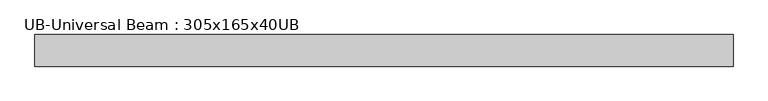
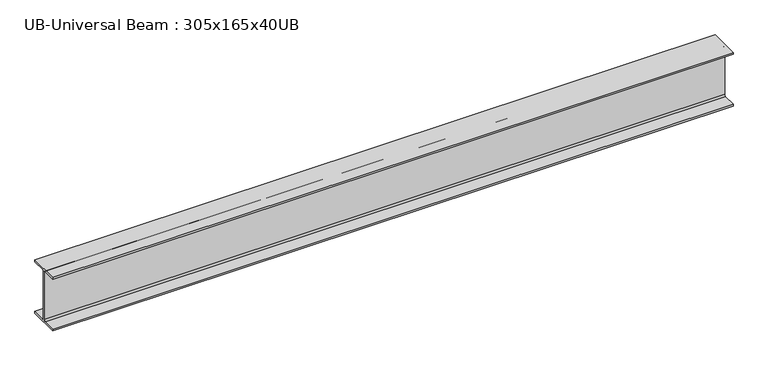
"""IFC4 building model written with IfcOpenShell, lengths in millimetres: beam geometry, UB-Universal Beam : 305x165x40UB."""

from ifc_helpers import new_model, si_unit, point, frame, frame_2d, origin, place, context, project, spatial, polyline, circle_curve, trimmed, segment, composite_curve, outline, extrude, source, transform, mapped, element, save


def ub_universal_beam_305x165x40ub_becae9d2(model_context):
    return source(origin(), model_context, "Body", "SweptSolid", [
        extrude(outline(composite_curve([segment(polyline([(82.5, -141.5), (82.5, -151.7), (-82.5, -151.7), (-82.5, -141.5), (-11.9, -141.5)]), True, "CONTINUOUS"), segment(trimmed(circle_curve(frame_2d((-11.9, -132.6)), 8.9), [point((-11.9, -141.5))], [point((-3.0, -132.6))], True, "CARTESIAN"), True, "CONTINUOUS"), segment(polyline([(-3.0, -132.6), (-3.0, 132.6)]), True, "CONTINUOUS"), segment(trimmed(circle_curve(frame_2d((-11.9, 132.6)), 8.9), [point((-3.0, 132.6))], [point((-11.9, 141.5))], True, "CARTESIAN"), True, "CONTINUOUS"), segment(polyline([(-11.9, 141.5), (-82.5, 141.5), (-82.5, 151.7), (82.5, 151.7), (82.5, 141.5), (11.9, 141.5)]), True, "CONTINUOUS"), segment(trimmed(circle_curve(frame_2d((11.9, 132.6)), 8.9), [point((11.9, 141.5))], [point((3.0, 132.6))], True, "CARTESIAN"), True, "CONTINUOUS"), segment(polyline([(3.0, 132.6), (3.0, -132.6)]), True, "CONTINUOUS"), segment(trimmed(circle_curve(frame_2d((11.9, -132.6)), 8.9), [point((3.0, -132.6))], [point((11.9, -141.5))], True, "CARTESIAN"), True, "CONTINUOUS"), segment(polyline([(11.9, -141.5), (82.5, -141.5)]), True, "CONTINUOUS")], self_intersect=False)), frame((-1823.175, 0.0, 0.0), z_axis=(1.0, 0.0, 0.0), x_axis=(0.0, 1.0, 0.0)), (0.0, 0.0, 1.0), 3646.35),
    ])


if __name__ == "__main__":
    model = new_model("IFC4")
    model_context = context("Model", 3, world=origin())
    ifc_project = project(units=[si_unit("LENGTHUNIT", "METRE", prefix="MILLI")], contexts=[model_context])
    site = spatial("IfcSite", under=ifc_project)
    building = spatial("IfcBuilding", under=site)
    placement = place(None, origin())
    ub_universal_beam_305x165x40ub_shape = ub_universal_beam_305x165x40ub_becae9d2(model_context)
    element("IfcBeam", 1, ObjectType="UB-Universal Beam : 305x165x40UB", at=placement, inside=building, context=model_context, shape_type="MappedRepresentation", body=[
        mapped(ub_universal_beam_305x165x40ub_shape, transform((0.0, 0.0, 0.0), x_axis=(1.0, 0.0, 0.0), y_axis=(0.0, 1.0, 0.0), z_axis=(0.0, 0.0, 1.0))),
    ])
    save(model, "model.ifc")
